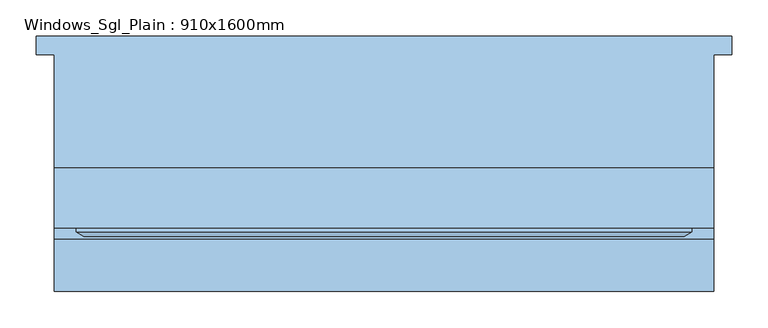
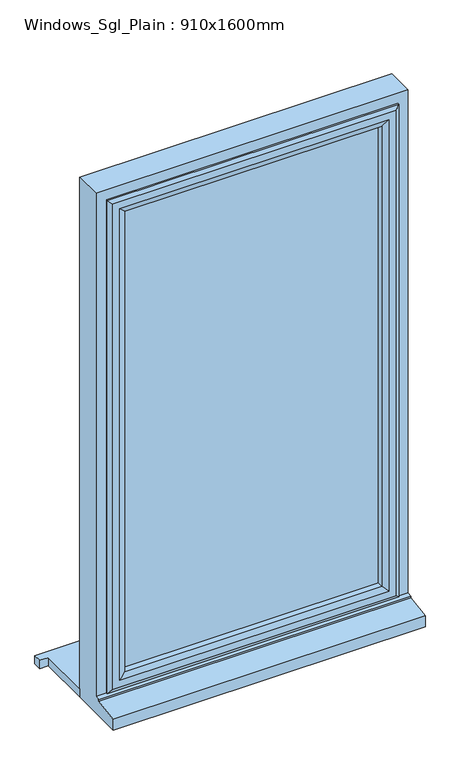
"""IFC4 building model written with IfcOpenShell, lengths in millimetres: window geometry, Windows_Sgl_Plain : 910x1600mm."""

from ifc_helpers import new_model, si_unit, frame, origin, place, context, project, spatial, polyline, outline, extrude, faceted_brep, source, transform, mapped, element, save


def windows_sgl_plain_910x1600mm_5c9f75a6(model_context):
    return source(origin(), model_context, "Body", "SolidModel", [
        extrude(outline(polyline([(-480.0, 161.5434322), (480.0, 161.5434322), (480.0, 136.5434322), (455.0, 136.5434322), (455.0, -20.4565678), (-455.0, -20.4565678), (-455.0, 136.5434322), (-480.0, 136.5434322), (-480.0, 161.5434322)])), frame((0.0, 0.0, 510.0), z_axis=(0.0, 0.0, 1.0), x_axis=(1.0, 0.0, 0.0)), (0.0, 0.0, 1.0), 25.0),
        faceted_brep([(-455.0, -20.4565678, 510.0), (-455.0, -20.4565678, 2110.0), (455.0, -20.4565678, 2110.0), (455.0, -20.4565678, 510.0), (-395.0, -20.4565678, 2050.0), (-395.0, -20.4565678, 585.0), (395.0, -20.4565678, 585.0), (395.0, -20.4565678, 2050.0), (-455.0, -190.9565678, 510.0), (-455.0, -190.9565678, 543.8088847), (-455.0, -118.4565678, 554.7449676), (-455.0, -118.4565678, 559.68767), (-455.0, -103.4565678, 561.0), (-455.0, -103.4565678, 2110.0), (455.0, -103.4565678, 561.0), (455.0, -103.4565678, 2110.0), (-415.0, -103.4565678, 2070.0), (415.0, -103.4565678, 2070.0), (415.0, -103.4565678, 573.0), (-415.0, -103.4565678, 573.0), (-415.0, -38.4565678, 573.0), (-415.0, -38.4565678, 2070.0), (415.0, -38.4565678, 573.0), (415.0, -38.4565678, 2070.0), (-395.0, -38.4565678, 2050.0), (395.0, -38.4565678, 2050.0), (395.0, -38.4565678, 585.0), (-395.0, -38.4565678, 585.0), (455.0, -118.4565678, 559.68767), (455.0, -118.4565678, 554.7449676), (455.0, -190.9565678, 543.8088847), (455.0, -190.9565678, 510.0)], [[[0, 1, 2, 3], [4, 5, 6, 7]], [[0, 8, 9, 10, 11, 12, 13, 1]], [[12, 14, 15, 13], [16, 17, 18, 19]], [[19, 20, 21, 16]], [[21, 20, 22, 23], [24, 25, 26, 27]], [[24, 27, 5, 4]], [[1, 13, 15, 2]], [[16, 21, 23, 17]], [[7, 25, 24, 4]], [[14, 28, 29, 30, 31, 3, 2, 15]], [[17, 23, 22, 18]], [[7, 6, 26, 25]], [[31, 8, 0, 3]], [[30, 9, 8, 31]], [[29, 10, 9, 30]], [[28, 11, 10, 29]], [[14, 12, 11, 28]], [[20, 19, 18, 22]], [[5, 27, 26, 6]]]),
        extrude(outline(polyline([(385.0, -67.4565678), (385.0, -91.4565678), (-385.0, -91.4565678), (-385.0, -67.4565678), (385.0, -67.4565678)])), frame((0.0, 0.0, 603.0), z_axis=(0.0, 0.0, 1.0), x_axis=(1.0, 0.0, 0.0)), (0.0, 0.0, 1.0), 1437.0),
        faceted_brep([(-425.0, -103.4565678, 2080.0), (-425.0, -103.4565678, 563.0), (-425.0, -109.2300705, 563.0), (-425.0, -109.2300705, 2080.0), (-415.0, -38.4565678, 2070.0), (-415.0, -38.4565678, 573.0), (-415.0, -103.4565678, 573.0), (-415.0, -103.4565678, 2070.0), (-375.0, -52.9494677, 2030.0), (-375.0, -52.9494677, 613.0), (-385.1480377, -38.4565678, 602.8519623), (-385.1480377, -38.4565678, 2040.1480377), (-375.0, -67.4565678, 2030.0), (-375.0, -67.4565678, 613.0), (-385.0, -91.4565678, 2040.0), (-385.0, -91.4565678, 603.0), (-385.0, -67.4565678, 603.0), (-385.0, -67.4565678, 2040.0), (-375.0, -109.2300705, 2030.0), (-375.0, -109.2300705, 613.0), (-375.0, -91.4565678, 613.0), (-375.0, -91.4565678, 2030.0), (-392.4457548, -115.0035732, 2047.4457548), (-392.4457548, -115.0035732, 595.5542452), (-414.2153903, -115.0035732, 573.7846097), (-414.2153903, -115.0035732, 2069.2153903), (425.0, -103.4565678, 563.0), (425.0, -109.2300705, 563.0), (415.0, -38.4565678, 573.0), (415.0, -103.4565678, 573.0), (375.0, -52.9494677, 613.0), (385.1480377, -38.4565678, 602.8519623), (375.0, -67.4565678, 613.0), (385.0, -91.4565678, 603.0), (385.0, -67.4565678, 603.0), (375.0, -109.2300705, 613.0), (375.0, -91.4565678, 613.0), (392.4457548, -115.0035732, 595.5542452), (414.2153903, -115.0035732, 573.7846097), (425.0, -103.4565678, 2080.0), (425.0, -109.2300705, 2080.0), (415.0, -38.4565678, 2070.0), (415.0, -103.4565678, 2070.0), (375.0, -52.9494677, 2030.0), (385.1480377, -38.4565678, 2040.1480377), (375.0, -67.4565678, 2030.0), (385.0, -91.4565678, 2040.0), (385.0, -67.4565678, 2040.0), (375.0, -109.2300705, 2030.0), (375.0, -91.4565678, 2030.0), (392.4457548, -115.0035732, 2047.4457548), (414.2153903, -115.0035732, 2069.2153903)], [[[0, 1, 2, 3]], [[4, 5, 6, 7]], [[8, 9, 10, 11]], [[12, 13, 9, 8]], [[14, 15, 16, 17]], [[18, 19, 20, 21]], [[22, 23, 19, 18]], [[3, 2, 24, 25]], [[1, 26, 27, 2]], [[5, 28, 29, 6]], [[9, 30, 31, 10]], [[13, 32, 30, 9]], [[15, 33, 34, 16]], [[19, 35, 36, 20]], [[23, 37, 35, 19]], [[2, 27, 38, 24]], [[26, 39, 40, 27]], [[28, 41, 42, 29]], [[30, 43, 44, 31]], [[32, 45, 43, 30]], [[33, 46, 47, 34]], [[35, 48, 49, 36]], [[37, 50, 48, 35]], [[27, 40, 51, 38]], [[39, 0, 3, 40]], [[1, 0, 39, 26], [7, 6, 29, 42]], [[41, 4, 7, 42]], [[5, 4, 41, 28], [11, 10, 31, 44]], [[43, 8, 11, 44]], [[45, 12, 8, 43]], [[17, 16, 34, 47], [13, 12, 45, 32]], [[46, 14, 17, 47]], [[15, 14, 46, 33], [21, 20, 36, 49]], [[48, 18, 21, 49]], [[50, 22, 18, 48]], [[25, 24, 38, 51], [23, 22, 50, 37]], [[40, 3, 25, 51]]]),
    ])


if __name__ == "__main__":
    model = new_model("IFC4")
    model_context = context("Model", 3, world=origin())
    ifc_project = project(units=[si_unit("LENGTHUNIT", "METRE", prefix="MILLI")], contexts=[model_context])
    site = spatial("IfcSite", under=ifc_project)
    building = spatial("IfcBuilding", under=site)
    placement = place(None, origin())
    windows_sgl_plain_910x1600mm_shape = windows_sgl_plain_910x1600mm_5c9f75a6(model_context)
    element("IfcWindow", 1, ObjectType="Windows_Sgl_Plain : 910x1600mm", at=placement, inside=building, context=model_context, shape_type="MappedRepresentation", body=[
        mapped(windows_sgl_plain_910x1600mm_shape, transform((0.0, 0.0, 0.0), x_axis=(1.0, 0.0, 0.0), y_axis=(0.0, 1.0, 0.0), z_axis=(0.0, 0.0, 1.0))),
    ])
    save(model, "model.ifc")
